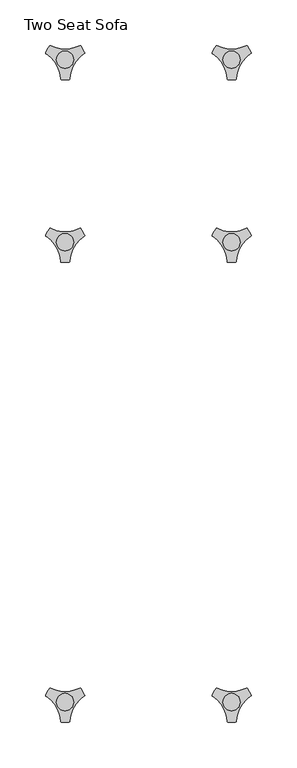
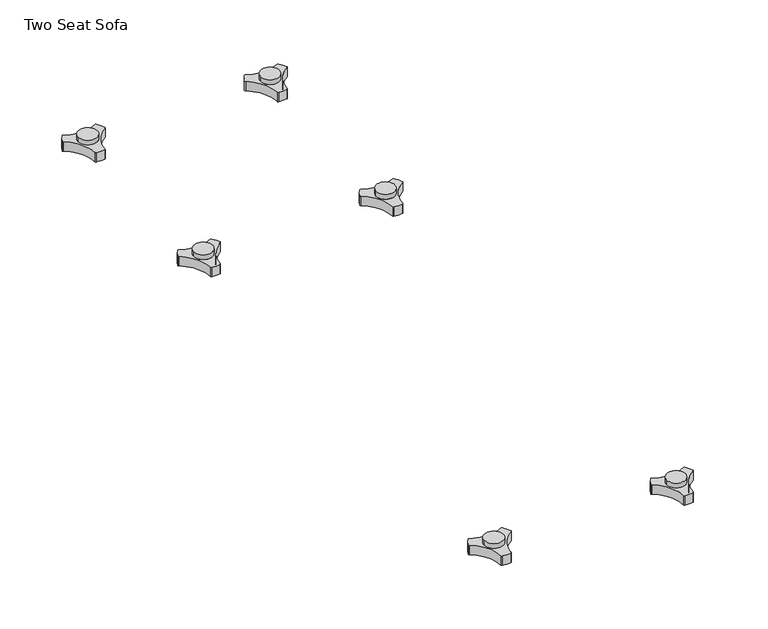
"""IFC4 building model written with IfcOpenShell, lengths in millimetres: furniture geometry, Two Seat Sofa."""

from ifc_helpers import new_model, si_unit, frame, origin, place, context, project, spatial, polyline, circle_curve, source, transform, mapped, element, save
from ifc_brep_helpers import plane_surface, cylinder_surface, revolved_surface, advanced_brep


def two_seat_sofa_eb6edc3d(model_context):
    return source(origin(), model_context, "Body", "AdvancedBrep", [
        advanced_brep(
        [(373.838792, -633.9963447, 98.611642), (369.6162038, -641.3100819, 98.611642), (370.0141527, -642.4761133, 98.611642), (385.8334234, -669.8758983, 98.611642), (386.6442569, -670.8035397, 98.611642), (395.0894355, -670.8035397, 98.611642), (395.8939637, -669.7137583, 98.611642), (411.9962168, -642.2119553, 98.611642), (412.1174938, -641.3100836, 98.611642), (407.8949039, -633.9963432, 98.611642), (406.6861204, -633.7579584, 98.611642), (375.047572, -633.7579584, 98.611642), (400.2397227, -648.9168654, 98.611642), (381.3347108, -648.9168654, 98.611642), (373.838792, -633.9963447, 88.6531552), (375.047572, -633.7579584, 88.6531552), (406.6861204, -633.7579584, 88.6531552), (407.8949039, -633.9963432, 88.6531552), (412.1174938, -641.3100836, 88.6531552), (411.9962168, -642.2119553, 88.6531552), (395.8939637, -669.7137583, 88.6531552), (395.0894355, -670.8035397, 88.6531552), (386.6442569, -670.8035397, 88.6531552), (385.8334234, -669.8758983, 88.6531552), (370.0141527, -642.4761133, 88.6531552), (369.6162038, -641.3100819, 88.6531552), (381.3347108, -648.9168654, 103.6569541), (400.2397227, -648.9168654, 103.6569541)],
        [
            (0, 1, circle_curve(frame((392.09828, -649.4142898, 98.611642), z_axis=(0.0, 0.0, 1.0), x_axis=(1.0, 0.0, 0.0)), 23.8981576)),
            (1, 2, circle_curve(frame((370.5437624, -641.6444428, 98.611642), z_axis=(0.0, 0.0, 1.0), x_axis=(1.0, 0.0, 0.0)), 0.9859828)),
            (2, 3, circle_curve(frame((351.6187827, -671.3632053, 98.611642), z_axis=(0.0, 0.0, -1.0), x_axis=(1.0, 0.0, 0.0)), 34.246952)),
            (3, 4, circle_curve(frame((386.8184668, -669.8330785, 98.611642), z_axis=(0.0, 0.0, 1.0), x_axis=(1.0, 0.0, 0.0)), 0.9859736)),
            (4, 5, circle_curve(frame((390.8668462, -647.2809943, 98.611642), z_axis=(0.0, 0.0, 1.0), x_axis=(1.0, 0.0, 0.0)), 23.8985439)),
            (5, 6, circle_curve(frame((394.9152236, -669.8330671, 98.611642), z_axis=(0.0, 0.0, 1.0), x_axis=(1.0, 0.0, 0.0)), 0.9859852)),
            (6, 7, circle_curve(frame((430.1156373, -671.285662, 98.611642), z_axis=(0.0, 0.0, -1.0), x_axis=(1.0, 0.0, 0.0)), 34.2577557)),
            (7, 8, circle_curve(frame((411.1899324, -641.644442, 98.611642), z_axis=(0.0, 0.0, 1.0), x_axis=(1.0, 0.0, 0.0)), 0.9859847)),
            (8, 9, circle_curve(frame((389.6358034, -649.4140667, 98.611642), z_axis=(0.0, 0.0, 1.0), x_axis=(1.0, 0.0, 0.0)), 23.8977184)),
            (9, 10, circle_curve(frame((407.1415576, -634.632458, 98.611642), z_axis=(0.0, 0.0, 1.0), x_axis=(1.0, 0.0, 0.0)), 0.9859881)),
            (10, 11, circle_curve(frame((390.8668462, -603.3828618, 98.611642), z_axis=(0.0, 0.0, -1.0), x_axis=(1.0, 0.0, 0.0)), 34.2475683)),
            (11, 0, circle_curve(frame((374.5921369, -634.632454, 98.611642), z_axis=(0.0, 0.0, 1.0), x_axis=(1.0, 0.0, 0.0)), 0.9859835)),
            (12, 13, circle_curve(frame((390.7872168, -648.9168654, 98.611642), z_axis=(0.0, 0.0, -1.0), x_axis=(1.0, 0.0, 0.0)), 9.452506)),
            (13, 12, circle_curve(frame((390.7872168, -648.9168654, 98.611642), z_axis=(0.0, 0.0, -1.0), x_axis=(1.0, 0.0, 0.0)), 9.452506)),
            (14, 15, circle_curve(frame((374.5921369, -634.632454, 88.6531552), z_axis=(0.0, 0.0, -1.0), x_axis=(1.0, 0.0, 0.0)), 0.9859835)),
            (15, 16, circle_curve(frame((390.8668462, -603.3828618, 88.6531552), z_axis=(0.0, 0.0, 1.0), x_axis=(1.0, 0.0, 0.0)), 34.2475683)),
            (16, 17, circle_curve(frame((407.1415576, -634.632458, 88.6531552), z_axis=(0.0, 0.0, -1.0), x_axis=(1.0, 0.0, 0.0)), 0.9859881)),
            (17, 18, circle_curve(frame((389.6358034, -649.4140667, 88.6531552), z_axis=(0.0, 0.0, -1.0), x_axis=(1.0, 0.0, 0.0)), 23.8977184)),
            (18, 19, circle_curve(frame((411.1899324, -641.644442, 88.6531552), z_axis=(0.0, 0.0, -1.0), x_axis=(1.0, 0.0, 0.0)), 0.9859847)),
            (19, 20, circle_curve(frame((430.1156373, -671.285662, 88.6531552), z_axis=(0.0, 0.0, 1.0), x_axis=(1.0, 0.0, 0.0)), 34.2577557)),
            (20, 21, circle_curve(frame((394.9152236, -669.8330671, 88.6531552), z_axis=(0.0, 0.0, -1.0), x_axis=(1.0, 0.0, 0.0)), 0.9859852)),
            (21, 22, circle_curve(frame((390.8668462, -647.2809943, 88.6531552), z_axis=(0.0, 0.0, -1.0), x_axis=(1.0, 0.0, 0.0)), 23.8985439)),
            (22, 23, circle_curve(frame((386.8184668, -669.8330785, 88.6531552), z_axis=(0.0, 0.0, -1.0), x_axis=(1.0, 0.0, 0.0)), 0.9859736)),
            (23, 24, circle_curve(frame((351.6187827, -671.3632053, 88.6531552), z_axis=(0.0, 0.0, 1.0), x_axis=(1.0, 0.0, 0.0)), 34.246952)),
            (24, 25, circle_curve(frame((370.5437624, -641.6444428, 88.6531552), z_axis=(0.0, 0.0, -1.0), x_axis=(1.0, 0.0, 0.0)), 0.9859828)),
            (25, 14, circle_curve(frame((392.09828, -649.4142898, 88.6531552), z_axis=(0.0, 0.0, -1.0), x_axis=(1.0, 0.0, 0.0)), 23.8981576)),
            (26, 27, circle_curve(frame((390.7872168, -648.9168654, 103.6569541), z_axis=(0.0, 0.0, 1.0), x_axis=(1.0, 0.0, 0.0)), 9.452506)),
            (27, 26, circle_curve(frame((390.7872168, -648.9168654, 103.6569541), z_axis=(0.0, 0.0, 1.0), x_axis=(1.0, 0.0, 0.0)), 9.452506)),
            (0, 14),
            (25, 1),
            (24, 2),
            (23, 3),
            (22, 4),
            (21, 5),
            (20, 6),
            (19, 7),
            (18, 8),
            (17, 9),
            (16, 10),
            (15, 11),
            (26, 13),
            (12, 27),
        ],
        [
            plane_surface(frame((415.9964377, -649.4142898, 98.611642), z_axis=(0.0, 0.0, 1.0), x_axis=(0.0, 1.0, 0.0))),
            plane_surface(frame((415.9964377, -649.4142898, 88.6531552), z_axis=(0.0, 0.0, -1.0), x_axis=(0.0, -1.0, 0.0))),
            plane_surface(frame((400.2397227, -648.9168654, 103.6569541), z_axis=(0.0, 0.0, 1.0), x_axis=(0.0, 1.0, 0.0))),
            cylinder_surface(frame((392.09828, -649.4142898, 88.6531552), z_axis=(0.0, 0.0, 1.0), x_axis=(1.0, 0.0, 0.0)), 23.8981576),
            cylinder_surface(frame((370.5437624, -641.6444428, 88.6531552), z_axis=(0.0, 0.0, 1.0), x_axis=(1.0, 0.0, 0.0)), 0.9859828),
            revolved_surface(polyline([(385.8657347, -671.3632053, 88.6531552), (385.8657347, -671.3632053, 98.611642)]), (351.6187827, -671.3632053, 88.6531552), (0.0, 0.0, -1.0)),
            cylinder_surface(frame((386.8184668, -669.8330785, 88.6531552), z_axis=(0.0, 0.0, 1.0), x_axis=(1.0, 0.0, 0.0)), 0.9859736),
            cylinder_surface(frame((390.8668462, -647.2809943, 88.6531552), z_axis=(0.0, 0.0, 1.0), x_axis=(1.0, 0.0, 0.0)), 23.8985439),
            cylinder_surface(frame((394.9152236, -669.8330671, 88.6531552), z_axis=(0.0, 0.0, 1.0), x_axis=(1.0, 0.0, 0.0)), 0.9859852),
            revolved_surface(polyline([(464.373393, -671.285662, 88.6531552), (464.373393, -671.285662, 98.611642)]), (430.1156373, -671.285662, 88.6531552), (0.0, 0.0, -1.0)),
            cylinder_surface(frame((411.1899324, -641.644442, 88.6531552), z_axis=(0.0, 0.0, 1.0), x_axis=(1.0, 0.0, 0.0)), 0.9859847),
            cylinder_surface(frame((389.6358034, -649.4140667, 88.6531552), z_axis=(0.0, 0.0, 1.0), x_axis=(1.0, 0.0, 0.0)), 23.8977184),
            cylinder_surface(frame((407.1415576, -634.632458, 88.6531552), z_axis=(0.0, 0.0, 1.0), x_axis=(1.0, 0.0, 0.0)), 0.9859881),
            revolved_surface(polyline([(425.1144145, -603.3828618, 88.6531552), (425.1144145, -603.3828618, 98.611642)]), (390.8668462, -603.3828618, 88.6531552), (0.0, 0.0, -1.0)),
            cylinder_surface(frame((374.5921369, -634.632454, 88.6531552), z_axis=(0.0, 0.0, 1.0), x_axis=(1.0, 0.0, 0.0)), 0.9859835),
            cylinder_surface(frame((390.7872168, -648.9168654, 98.611642), z_axis=(0.0, 0.0, 1.0), x_axis=(1.0, 0.0, 0.0)), 9.452506),
        ],
        [
            (0, [[1, 2, 3, 4, 5, 6, 7, 8, 9, 10, 11, 12], [13, 14]]),
            (1, [[15, 16, 17, 18, 19, 20, 21, 22, 23, 24, 25, 26]]),
            (2, [[27, 28]]),
            (3, [[-1, 29, -26, 30]]),
            (4, [[-2, -30, -25, 31]]),
            (5, [[-3, -31, -24, 32]]),
            (6, [[-4, -32, -23, 33]]),
            (7, [[-5, -33, -22, 34]]),
            (8, [[-6, -34, -21, 35]]),
            (9, [[-7, -35, -20, 36]]),
            (10, [[-8, -36, -19, 37]]),
            (11, [[-9, -37, -18, 38]]),
            (12, [[-10, -38, -17, 39]]),
            (13, [[-11, -39, -16, 40]]),
            (14, [[-12, -40, -15, -29]]),
            (15, [[-27, 41, -13, 42]]),
            (15, [[-28, -42, -14, -41]]),
        ],
    ),
        advanced_brep(
        [(373.838792, -130.2721038, 98.611642), (369.6162038, -137.585841, 98.611642), (370.0141527, -138.7518724, 98.611642), (385.8334234, -166.1516574, 98.611642), (386.6442569, -167.0792988, 98.611642), (395.0894355, -167.0792988, 98.611642), (395.8939637, -165.9895174, 98.611642), (411.9962168, -138.4877144, 98.611642), (412.1174938, -137.5858427, 98.611642), (407.8949039, -130.2721023, 98.611642), (406.6861204, -130.0337175, 98.611642), (375.047572, -130.0337175, 98.611642), (400.2397227, -145.1926245, 98.611642), (381.3347108, -145.1926245, 98.611642), (373.838792, -130.2721038, 88.6531552), (375.047572, -130.0337175, 88.6531552), (406.6861204, -130.0337175, 88.6531552), (407.8949039, -130.2721023, 88.6531552), (412.1174938, -137.5858427, 88.6531552), (411.9962168, -138.4877144, 88.6531552), (395.8939637, -165.9895174, 88.6531552), (395.0894355, -167.0792988, 88.6531552), (386.6442569, -167.0792988, 88.6531552), (385.8334234, -166.1516574, 88.6531552), (370.0141527, -138.7518724, 88.6531552), (369.6162038, -137.585841, 88.6531552), (381.3347108, -145.1926245, 103.6569541), (400.2397227, -145.1926245, 103.6569541)],
        [
            (0, 1, circle_curve(frame((392.09828, -145.690049, 98.611642), z_axis=(0.0, 0.0, 1.0), x_axis=(1.0, 0.0, 0.0)), 23.8981576)),
            (1, 2, circle_curve(frame((370.5437624, -137.920202, 98.611642), z_axis=(0.0, 0.0, 1.0), x_axis=(1.0, 0.0, 0.0)), 0.9859828)),
            (2, 3, circle_curve(frame((351.6187827, -167.6389644, 98.611642), z_axis=(0.0, 0.0, -1.0), x_axis=(1.0, 0.0, 0.0)), 34.246952)),
            (3, 4, circle_curve(frame((386.8184668, -166.1088376, 98.611642), z_axis=(0.0, 0.0, 1.0), x_axis=(1.0, 0.0, 0.0)), 0.9859736)),
            (4, 5, circle_curve(frame((390.8668462, -143.5567534, 98.611642), z_axis=(0.0, 0.0, 1.0), x_axis=(1.0, 0.0, 0.0)), 23.8985439)),
            (5, 6, circle_curve(frame((394.9152236, -166.1088262, 98.611642), z_axis=(0.0, 0.0, 1.0), x_axis=(1.0, 0.0, 0.0)), 0.9859852)),
            (6, 7, circle_curve(frame((430.1156373, -167.5614211, 98.611642), z_axis=(0.0, 0.0, -1.0), x_axis=(1.0, 0.0, 0.0)), 34.2577557)),
            (7, 8, circle_curve(frame((411.1899324, -137.9202011, 98.611642), z_axis=(0.0, 0.0, 1.0), x_axis=(1.0, 0.0, 0.0)), 0.9859847)),
            (8, 9, circle_curve(frame((389.6358034, -145.6898258, 98.611642), z_axis=(0.0, 0.0, 1.0), x_axis=(1.0, 0.0, 0.0)), 23.8977184)),
            (9, 10, circle_curve(frame((407.1415576, -130.9082171, 98.611642), z_axis=(0.0, 0.0, 1.0), x_axis=(1.0, 0.0, 0.0)), 0.9859881)),
            (10, 11, circle_curve(frame((390.8668462, -99.6586209, 98.611642), z_axis=(0.0, 0.0, -1.0), x_axis=(1.0, 0.0, 0.0)), 34.2475683)),
            (11, 0, circle_curve(frame((374.5921369, -130.9082131, 98.611642), z_axis=(0.0, 0.0, 1.0), x_axis=(1.0, 0.0, 0.0)), 0.9859835)),
            (12, 13, circle_curve(frame((390.7872168, -145.1926245, 98.611642), z_axis=(0.0, 0.0, -1.0), x_axis=(1.0, 0.0, 0.0)), 9.452506)),
            (13, 12, circle_curve(frame((390.7872168, -145.1926245, 98.611642), z_axis=(0.0, 0.0, -1.0), x_axis=(1.0, 0.0, 0.0)), 9.452506)),
            (14, 15, circle_curve(frame((374.5921369, -130.9082131, 88.6531552), z_axis=(0.0, 0.0, -1.0), x_axis=(1.0, 0.0, 0.0)), 0.9859835)),
            (15, 16, circle_curve(frame((390.8668462, -99.6586209, 88.6531552), z_axis=(0.0, 0.0, 1.0), x_axis=(1.0, 0.0, 0.0)), 34.2475683)),
            (16, 17, circle_curve(frame((407.1415576, -130.9082171, 88.6531552), z_axis=(0.0, 0.0, -1.0), x_axis=(1.0, 0.0, 0.0)), 0.9859881)),
            (17, 18, circle_curve(frame((389.6358034, -145.6898258, 88.6531552), z_axis=(0.0, 0.0, -1.0), x_axis=(1.0, 0.0, 0.0)), 23.8977184)),
            (18, 19, circle_curve(frame((411.1899324, -137.9202011, 88.6531552), z_axis=(0.0, 0.0, -1.0), x_axis=(1.0, 0.0, 0.0)), 0.9859847)),
            (19, 20, circle_curve(frame((430.1156373, -167.5614211, 88.6531552), z_axis=(0.0, 0.0, 1.0), x_axis=(1.0, 0.0, 0.0)), 34.2577557)),
            (20, 21, circle_curve(frame((394.9152236, -166.1088262, 88.6531552), z_axis=(0.0, 0.0, -1.0), x_axis=(1.0, 0.0, 0.0)), 0.9859852)),
            (21, 22, circle_curve(frame((390.8668462, -143.5567534, 88.6531552), z_axis=(0.0, 0.0, -1.0), x_axis=(1.0, 0.0, 0.0)), 23.8985439)),
            (22, 23, circle_curve(frame((386.8184668, -166.1088376, 88.6531552), z_axis=(0.0, 0.0, -1.0), x_axis=(1.0, 0.0, 0.0)), 0.9859736)),
            (23, 24, circle_curve(frame((351.6187827, -167.6389644, 88.6531552), z_axis=(0.0, 0.0, 1.0), x_axis=(1.0, 0.0, 0.0)), 34.246952)),
            (24, 25, circle_curve(frame((370.5437624, -137.920202, 88.6531552), z_axis=(0.0, 0.0, -1.0), x_axis=(1.0, 0.0, 0.0)), 0.9859828)),
            (25, 14, circle_curve(frame((392.09828, -145.690049, 88.6531552), z_axis=(0.0, 0.0, -1.0), x_axis=(1.0, 0.0, 0.0)), 23.8981576)),
            (26, 27, circle_curve(frame((390.7872168, -145.1926245, 103.6569541), z_axis=(0.0, 0.0, 1.0), x_axis=(1.0, 0.0, 0.0)), 9.452506)),
            (27, 26, circle_curve(frame((390.7872168, -145.1926245, 103.6569541), z_axis=(0.0, 0.0, 1.0), x_axis=(1.0, 0.0, 0.0)), 9.452506)),
            (0, 14),
            (25, 1),
            (24, 2),
            (23, 3),
            (22, 4),
            (21, 5),
            (20, 6),
            (19, 7),
            (18, 8),
            (17, 9),
            (16, 10),
            (15, 11),
            (26, 13),
            (12, 27),
        ],
        [
            plane_surface(frame((415.9964377, -145.690049, 98.611642), z_axis=(0.0, 0.0, 1.0), x_axis=(0.0, 1.0, 0.0))),
            plane_surface(frame((415.9964377, -145.690049, 88.6531552), z_axis=(0.0, 0.0, -1.0), x_axis=(0.0, -1.0, 0.0))),
            plane_surface(frame((400.2397227, -145.1926245, 103.6569541), z_axis=(0.0, 0.0, 1.0), x_axis=(0.0, 1.0, 0.0))),
            cylinder_surface(frame((392.09828, -145.690049, 88.6531552), z_axis=(0.0, 0.0, 1.0), x_axis=(1.0, 0.0, 0.0)), 23.8981576),
            cylinder_surface(frame((370.5437624, -137.920202, 88.6531552), z_axis=(0.0, 0.0, 1.0), x_axis=(1.0, 0.0, 0.0)), 0.9859828),
            revolved_surface(polyline([(385.8657347, -167.6389644, 88.6531552), (385.8657347, -167.6389644, 98.611642)]), (351.6187827, -167.6389644, 88.6531552), (0.0, 0.0, -1.0)),
            cylinder_surface(frame((386.8184668, -166.1088376, 88.6531552), z_axis=(0.0, 0.0, 1.0), x_axis=(1.0, 0.0, 0.0)), 0.9859736),
            cylinder_surface(frame((390.8668462, -143.5567534, 88.6531552), z_axis=(0.0, 0.0, 1.0), x_axis=(1.0, 0.0, 0.0)), 23.8985439),
            cylinder_surface(frame((394.9152236, -166.1088262, 88.6531552), z_axis=(0.0, 0.0, 1.0), x_axis=(1.0, 0.0, 0.0)), 0.9859852),
            revolved_surface(polyline([(464.373393, -167.5614211, 88.6531552), (464.373393, -167.5614211, 98.611642)]), (430.1156373, -167.5614211, 88.6531552), (0.0, 0.0, -1.0)),
            cylinder_surface(frame((411.1899324, -137.9202011, 88.6531552), z_axis=(0.0, 0.0, 1.0), x_axis=(1.0, 0.0, 0.0)), 0.9859847),
            cylinder_surface(frame((389.6358034, -145.6898258, 88.6531552), z_axis=(0.0, 0.0, 1.0), x_axis=(1.0, 0.0, 0.0)), 23.8977184),
            cylinder_surface(frame((407.1415576, -130.9082171, 88.6531552), z_axis=(0.0, 0.0, 1.0), x_axis=(1.0, 0.0, 0.0)), 0.9859881),
            revolved_surface(polyline([(425.1144145, -99.6586209, 88.6531552), (425.1144145, -99.6586209, 98.611642)]), (390.8668462, -99.6586209, 88.6531552), (0.0, 0.0, -1.0)),
            cylinder_surface(frame((374.5921369, -130.9082131, 88.6531552), z_axis=(0.0, 0.0, 1.0), x_axis=(1.0, 0.0, 0.0)), 0.9859835),
            cylinder_surface(frame((390.7872168, -145.1926245, 98.611642), z_axis=(0.0, 0.0, 1.0), x_axis=(1.0, 0.0, 0.0)), 9.452506),
        ],
        [
            (0, [[1, 2, 3, 4, 5, 6, 7, 8, 9, 10, 11, 12], [13, 14]]),
            (1, [[15, 16, 17, 18, 19, 20, 21, 22, 23, 24, 25, 26]]),
            (2, [[27, 28]]),
            (3, [[-1, 29, -26, 30]]),
            (4, [[-2, -30, -25, 31]]),
            (5, [[-3, -31, -24, 32]]),
            (6, [[-4, -32, -23, 33]]),
            (7, [[-5, -33, -22, 34]]),
            (8, [[-6, -34, -21, 35]]),
            (9, [[-7, -35, -20, 36]]),
            (10, [[-8, -36, -19, 37]]),
            (11, [[-9, -37, -18, 38]]),
            (12, [[-10, -38, -17, 39]]),
            (13, [[-11, -39, -16, 40]]),
            (14, [[-12, -40, -15, -29]]),
            (15, [[-27, 41, -13, 42]]),
            (15, [[-28, -42, -14, -41]]),
        ],
    ),
        advanced_brep(
        [(373.838792, 69.7278978, 98.611642), (369.6162038, 62.4141605, 98.611642), (370.0141527, 61.2481292, 98.611642), (385.8334234, 33.8483441, 98.611642), (386.6442569, 32.9207027, 98.611642), (395.0894355, 32.9207027, 98.611642), (395.8939637, 34.0104841, 98.611642), (411.9962168, 61.5122871, 98.611642), (412.1174938, 62.4141588, 98.611642), (407.8949039, 69.7278992, 98.611642), (406.6861204, 69.966284, 98.611642), (375.047572, 69.966284, 98.611642), (400.2397227, 54.807377, 98.611642), (381.3347108, 54.807377, 98.611642), (373.838792, 69.7278978, 88.6531552), (375.047572, 69.966284, 88.6531552), (406.6861204, 69.966284, 88.6531552), (407.8949039, 69.7278992, 88.6531552), (412.1174938, 62.4141588, 88.6531552), (411.9962168, 61.5122871, 88.6531552), (395.8939637, 34.0104841, 88.6531552), (395.0894355, 32.9207027, 88.6531552), (386.6442569, 32.9207027, 88.6531552), (385.8334234, 33.8483441, 88.6531552), (370.0141527, 61.2481292, 88.6531552), (369.6162038, 62.4141605, 88.6531552), (381.3347108, 54.807377, 103.6569541), (400.2397227, 54.807377, 103.6569541)],
        [
            (0, 1, circle_curve(frame((392.09828, 54.3099526, 98.611642), z_axis=(0.0, 0.0, 1.0), x_axis=(1.0, 0.0, 0.0)), 23.8981576)),
            (1, 2, circle_curve(frame((370.5437624, 62.0797996, 98.611642), z_axis=(0.0, 0.0, 1.0), x_axis=(1.0, 0.0, 0.0)), 0.9859828)),
            (2, 3, circle_curve(frame((351.6187827, 32.3610372, 98.611642), z_axis=(0.0, 0.0, -1.0), x_axis=(1.0, 0.0, 0.0)), 34.246952)),
            (3, 4, circle_curve(frame((386.8184668, 33.8911639, 98.611642), z_axis=(0.0, 0.0, 1.0), x_axis=(1.0, 0.0, 0.0)), 0.9859736)),
            (4, 5, circle_curve(frame((390.8668462, 56.4432481, 98.611642), z_axis=(0.0, 0.0, 1.0), x_axis=(1.0, 0.0, 0.0)), 23.8985439)),
            (5, 6, circle_curve(frame((394.9152236, 33.8911753, 98.611642), z_axis=(0.0, 0.0, 1.0), x_axis=(1.0, 0.0, 0.0)), 0.9859852)),
            (6, 7, circle_curve(frame((430.1156373, 32.4385804, 98.611642), z_axis=(0.0, 0.0, -1.0), x_axis=(1.0, 0.0, 0.0)), 34.2577557)),
            (7, 8, circle_curve(frame((411.1899324, 62.0798004, 98.611642), z_axis=(0.0, 0.0, 1.0), x_axis=(1.0, 0.0, 0.0)), 0.9859847)),
            (8, 9, circle_curve(frame((389.6358034, 54.3101757, 98.611642), z_axis=(0.0, 0.0, 1.0), x_axis=(1.0, 0.0, 0.0)), 23.8977184)),
            (9, 10, circle_curve(frame((407.1415576, 69.0917844, 98.611642), z_axis=(0.0, 0.0, 1.0), x_axis=(1.0, 0.0, 0.0)), 0.9859881)),
            (10, 11, circle_curve(frame((390.8668462, 100.3413806, 98.611642), z_axis=(0.0, 0.0, -1.0), x_axis=(1.0, 0.0, 0.0)), 34.2475683)),
            (11, 0, circle_curve(frame((374.5921369, 69.0917885, 98.611642), z_axis=(0.0, 0.0, 1.0), x_axis=(1.0, 0.0, 0.0)), 0.9859835)),
            (12, 13, circle_curve(frame((390.7872168, 54.807377, 98.611642), z_axis=(0.0, 0.0, -1.0), x_axis=(1.0, 0.0, 0.0)), 9.452506)),
            (13, 12, circle_curve(frame((390.7872168, 54.807377, 98.611642), z_axis=(0.0, 0.0, -1.0), x_axis=(1.0, 0.0, 0.0)), 9.452506)),
            (14, 15, circle_curve(frame((374.5921369, 69.0917885, 88.6531552), z_axis=(0.0, 0.0, -1.0), x_axis=(1.0, 0.0, 0.0)), 0.9859835)),
            (15, 16, circle_curve(frame((390.8668462, 100.3413806, 88.6531552), z_axis=(0.0, 0.0, 1.0), x_axis=(1.0, 0.0, 0.0)), 34.2475683)),
            (16, 17, circle_curve(frame((407.1415576, 69.0917844, 88.6531552), z_axis=(0.0, 0.0, -1.0), x_axis=(1.0, 0.0, 0.0)), 0.9859881)),
            (17, 18, circle_curve(frame((389.6358034, 54.3101757, 88.6531552), z_axis=(0.0, 0.0, -1.0), x_axis=(1.0, 0.0, 0.0)), 23.8977184)),
            (18, 19, circle_curve(frame((411.1899324, 62.0798004, 88.6531552), z_axis=(0.0, 0.0, -1.0), x_axis=(1.0, 0.0, 0.0)), 0.9859847)),
            (19, 20, circle_curve(frame((430.1156373, 32.4385804, 88.6531552), z_axis=(0.0, 0.0, 1.0), x_axis=(1.0, 0.0, 0.0)), 34.2577557)),
            (20, 21, circle_curve(frame((394.9152236, 33.8911753, 88.6531552), z_axis=(0.0, 0.0, -1.0), x_axis=(1.0, 0.0, 0.0)), 0.9859852)),
            (21, 22, circle_curve(frame((390.8668462, 56.4432481, 88.6531552), z_axis=(0.0, 0.0, -1.0), x_axis=(1.0, 0.0, 0.0)), 23.8985439)),
            (22, 23, circle_curve(frame((386.8184668, 33.8911639, 88.6531552), z_axis=(0.0, 0.0, -1.0), x_axis=(1.0, 0.0, 0.0)), 0.9859736)),
            (23, 24, circle_curve(frame((351.6187827, 32.3610372, 88.6531552), z_axis=(0.0, 0.0, 1.0), x_axis=(1.0, 0.0, 0.0)), 34.246952)),
            (24, 25, circle_curve(frame((370.5437624, 62.0797996, 88.6531552), z_axis=(0.0, 0.0, -1.0), x_axis=(1.0, 0.0, 0.0)), 0.9859828)),
            (25, 14, circle_curve(frame((392.09828, 54.3099526, 88.6531552), z_axis=(0.0, 0.0, -1.0), x_axis=(1.0, 0.0, 0.0)), 23.8981576)),
            (26, 27, circle_curve(frame((390.7872168, 54.807377, 103.6569541), z_axis=(0.0, 0.0, 1.0), x_axis=(1.0, 0.0, 0.0)), 9.452506)),
            (27, 26, circle_curve(frame((390.7872168, 54.807377, 103.6569541), z_axis=(0.0, 0.0, 1.0), x_axis=(1.0, 0.0, 0.0)), 9.452506)),
            (0, 14),
            (25, 1),
            (24, 2),
            (23, 3),
            (22, 4),
            (21, 5),
            (20, 6),
            (19, 7),
            (18, 8),
            (17, 9),
            (16, 10),
            (15, 11),
            (26, 13),
            (12, 27),
        ],
        [
            plane_surface(frame((415.9964377, 54.3099526, 98.611642), z_axis=(0.0, 0.0, 1.0), x_axis=(0.0, 1.0, 0.0))),
            plane_surface(frame((415.9964377, 54.3099526, 88.6531552), z_axis=(0.0, 0.0, -1.0), x_axis=(0.0, -1.0, 0.0))),
            plane_surface(frame((400.2397227, 54.807377, 103.6569541), z_axis=(0.0, 0.0, 1.0), x_axis=(0.0, 1.0, 0.0))),
            cylinder_surface(frame((392.09828, 54.3099526, 88.6531552), z_axis=(0.0, 0.0, 1.0), x_axis=(1.0, 0.0, 0.0)), 23.8981576),
            cylinder_surface(frame((370.5437624, 62.0797996, 88.6531552), z_axis=(0.0, 0.0, 1.0), x_axis=(1.0, 0.0, 0.0)), 0.9859828),
            revolved_surface(polyline([(385.8657347, 32.3610372, 88.6531552), (385.8657347, 32.3610372, 98.611642)]), (351.6187827, 32.3610372, 88.6531552), (0.0, 0.0, -1.0)),
            cylinder_surface(frame((386.8184668, 33.8911639, 88.6531552), z_axis=(0.0, 0.0, 1.0), x_axis=(1.0, 0.0, 0.0)), 0.9859736),
            cylinder_surface(frame((390.8668462, 56.4432481, 88.6531552), z_axis=(0.0, 0.0, 1.0), x_axis=(1.0, 0.0, 0.0)), 23.8985439),
            cylinder_surface(frame((394.9152236, 33.8911753, 88.6531552), z_axis=(0.0, 0.0, 1.0), x_axis=(1.0, 0.0, 0.0)), 0.9859852),
            revolved_surface(polyline([(464.373393, 32.4385804, 88.6531552), (464.373393, 32.4385804, 98.611642)]), (430.1156373, 32.4385804, 88.6531552), (0.0, 0.0, -1.0)),
            cylinder_surface(frame((411.1899324, 62.0798004, 88.6531552), z_axis=(0.0, 0.0, 1.0), x_axis=(1.0, 0.0, 0.0)), 0.9859847),
            cylinder_surface(frame((389.6358034, 54.3101757, 88.6531552), z_axis=(0.0, 0.0, 1.0), x_axis=(1.0, 0.0, 0.0)), 23.8977184),
            cylinder_surface(frame((407.1415576, 69.0917844, 88.6531552), z_axis=(0.0, 0.0, 1.0), x_axis=(1.0, 0.0, 0.0)), 0.9859881),
            revolved_surface(polyline([(425.1144145, 100.3413806, 88.6531552), (425.1144145, 100.3413806, 98.611642)]), (390.8668462, 100.3413806, 88.6531552), (0.0, 0.0, -1.0)),
            cylinder_surface(frame((374.5921369, 69.0917885, 88.6531552), z_axis=(0.0, 0.0, 1.0), x_axis=(1.0, 0.0, 0.0)), 0.9859835),
            cylinder_surface(frame((390.7872168, 54.807377, 98.611642), z_axis=(0.0, 0.0, 1.0), x_axis=(1.0, 0.0, 0.0)), 9.452506),
        ],
        [
            (0, [[1, 2, 3, 4, 5, 6, 7, 8, 9, 10, 11, 12], [13, 14]]),
            (1, [[15, 16, 17, 18, 19, 20, 21, 22, 23, 24, 25, 26]]),
            (2, [[27, 28]]),
            (3, [[-1, 29, -26, 30]]),
            (4, [[-2, -30, -25, 31]]),
            (5, [[-3, -31, -24, 32]]),
            (6, [[-4, -32, -23, 33]]),
            (7, [[-5, -33, -22, 34]]),
            (8, [[-6, -34, -21, 35]]),
            (9, [[-7, -35, -20, 36]]),
            (10, [[-8, -36, -19, 37]]),
            (11, [[-9, -37, -18, 38]]),
            (12, [[-10, -38, -17, 39]]),
            (13, [[-11, -39, -16, 40]]),
            (14, [[-12, -40, -15, -29]]),
            (15, [[-27, 41, -13, 42]]),
            (15, [[-28, -42, -14, -41]]),
        ],
    ),
        advanced_brep(
        [(191.4388063, 69.7278978, 98.611642), (187.2162181, 62.4141605, 98.611642), (187.614167, 61.2481292, 98.611642), (203.4334377, 33.8483441, 98.611642), (204.2442712, 32.9207027, 98.611642), (212.6894498, 32.9207027, 98.611642), (213.493978, 34.0104841, 98.611642), (229.5962311, 61.5122871, 98.611642), (229.7175081, 62.4141588, 98.611642), (225.4949182, 69.7278992, 98.611642), (224.2861347, 69.966284, 98.611642), (192.6475863, 69.966284, 98.611642), (217.839737, 54.807377, 98.611642), (198.9347251, 54.807377, 98.611642), (191.4388063, 69.7278978, 88.6531552), (192.6475863, 69.966284, 88.6531552), (224.2861347, 69.966284, 88.6531552), (225.4949182, 69.7278992, 88.6531552), (229.7175081, 62.4141588, 88.6531552), (229.5962311, 61.5122871, 88.6531552), (213.493978, 34.0104841, 88.6531552), (212.6894498, 32.9207027, 88.6531552), (204.2442712, 32.9207027, 88.6531552), (203.4334377, 33.8483441, 88.6531552), (187.614167, 61.2481292, 88.6531552), (187.2162181, 62.4141605, 88.6531552), (198.9347251, 54.807377, 103.6569541), (217.839737, 54.807377, 103.6569541)],
        [
            (0, 1, circle_curve(frame((209.6982944, 54.3099526, 98.611642), z_axis=(0.0, 0.0, 1.0), x_axis=(1.0, 0.0, 0.0)), 23.8981576)),
            (1, 2, circle_curve(frame((188.1437767, 62.0797996, 98.611642), z_axis=(0.0, 0.0, 1.0), x_axis=(1.0, 0.0, 0.0)), 0.9859828)),
            (2, 3, circle_curve(frame((169.218797, 32.3610372, 98.611642), z_axis=(0.0, 0.0, -1.0), x_axis=(1.0, 0.0, 0.0)), 34.246952)),
            (3, 4, circle_curve(frame((204.4184811, 33.8911639, 98.611642), z_axis=(0.0, 0.0, 1.0), x_axis=(1.0, 0.0, 0.0)), 0.9859736)),
            (4, 5, circle_curve(frame((208.4668605, 56.4432481, 98.611642), z_axis=(0.0, 0.0, 1.0), x_axis=(1.0, 0.0, 0.0)), 23.8985439)),
            (5, 6, circle_curve(frame((212.5152379, 33.8911753, 98.611642), z_axis=(0.0, 0.0, 1.0), x_axis=(1.0, 0.0, 0.0)), 0.9859852)),
            (6, 7, circle_curve(frame((247.7156517, 32.4385804, 98.611642), z_axis=(0.0, 0.0, -1.0), x_axis=(1.0, 0.0, 0.0)), 34.2577557)),
            (7, 8, circle_curve(frame((228.7899467, 62.0798004, 98.611642), z_axis=(0.0, 0.0, 1.0), x_axis=(1.0, 0.0, 0.0)), 0.9859847)),
            (8, 9, circle_curve(frame((207.2358178, 54.3101757, 98.611642), z_axis=(0.0, 0.0, 1.0), x_axis=(1.0, 0.0, 0.0)), 23.8977184)),
            (9, 10, circle_curve(frame((224.7415719, 69.0917844, 98.611642), z_axis=(0.0, 0.0, 1.0), x_axis=(1.0, 0.0, 0.0)), 0.9859881)),
            (10, 11, circle_curve(frame((208.4668605, 100.3413806, 98.611642), z_axis=(0.0, 0.0, -1.0), x_axis=(1.0, 0.0, 0.0)), 34.2475683)),
            (11, 0, circle_curve(frame((192.1921512, 69.0917885, 98.611642), z_axis=(0.0, 0.0, 1.0), x_axis=(1.0, 0.0, 0.0)), 0.9859835)),
            (12, 13, circle_curve(frame((208.3872311, 54.807377, 98.611642), z_axis=(0.0, 0.0, -1.0), x_axis=(1.0, 0.0, 0.0)), 9.452506)),
            (13, 12, circle_curve(frame((208.3872311, 54.807377, 98.611642), z_axis=(0.0, 0.0, -1.0), x_axis=(1.0, 0.0, 0.0)), 9.452506)),
            (14, 15, circle_curve(frame((192.1921512, 69.0917885, 88.6531552), z_axis=(0.0, 0.0, -1.0), x_axis=(1.0, 0.0, 0.0)), 0.9859835)),
            (15, 16, circle_curve(frame((208.4668605, 100.3413806, 88.6531552), z_axis=(0.0, 0.0, 1.0), x_axis=(1.0, 0.0, 0.0)), 34.2475683)),
            (16, 17, circle_curve(frame((224.7415719, 69.0917844, 88.6531552), z_axis=(0.0, 0.0, -1.0), x_axis=(1.0, 0.0, 0.0)), 0.9859881)),
            (17, 18, circle_curve(frame((207.2358178, 54.3101757, 88.6531552), z_axis=(0.0, 0.0, -1.0), x_axis=(1.0, 0.0, 0.0)), 23.8977184)),
            (18, 19, circle_curve(frame((228.7899467, 62.0798004, 88.6531552), z_axis=(0.0, 0.0, -1.0), x_axis=(1.0, 0.0, 0.0)), 0.9859847)),
            (19, 20, circle_curve(frame((247.7156517, 32.4385804, 88.6531552), z_axis=(0.0, 0.0, 1.0), x_axis=(1.0, 0.0, 0.0)), 34.2577557)),
            (20, 21, circle_curve(frame((212.5152379, 33.8911753, 88.6531552), z_axis=(0.0, 0.0, -1.0), x_axis=(1.0, 0.0, 0.0)), 0.9859852)),
            (21, 22, circle_curve(frame((208.4668605, 56.4432481, 88.6531552), z_axis=(0.0, 0.0, -1.0), x_axis=(1.0, 0.0, 0.0)), 23.8985439)),
            (22, 23, circle_curve(frame((204.4184811, 33.8911639, 88.6531552), z_axis=(0.0, 0.0, -1.0), x_axis=(1.0, 0.0, 0.0)), 0.9859736)),
            (23, 24, circle_curve(frame((169.218797, 32.3610372, 88.6531552), z_axis=(0.0, 0.0, 1.0), x_axis=(1.0, 0.0, 0.0)), 34.246952)),
            (24, 25, circle_curve(frame((188.1437767, 62.0797996, 88.6531552), z_axis=(0.0, 0.0, -1.0), x_axis=(1.0, 0.0, 0.0)), 0.9859828)),
            (25, 14, circle_curve(frame((209.6982944, 54.3099526, 88.6531552), z_axis=(0.0, 0.0, -1.0), x_axis=(1.0, 0.0, 0.0)), 23.8981576)),
            (26, 27, circle_curve(frame((208.3872311, 54.807377, 103.6569541), z_axis=(0.0, 0.0, 1.0), x_axis=(1.0, 0.0, 0.0)), 9.452506)),
            (27, 26, circle_curve(frame((208.3872311, 54.807377, 103.6569541), z_axis=(0.0, 0.0, 1.0), x_axis=(1.0, 0.0, 0.0)), 9.452506)),
            (0, 14),
            (25, 1),
            (24, 2),
            (23, 3),
            (22, 4),
            (21, 5),
            (20, 6),
            (19, 7),
            (18, 8),
            (17, 9),
            (16, 10),
            (15, 11),
            (26, 13),
            (12, 27),
        ],
        [
            plane_surface(frame((233.596452, 54.3099526, 98.611642), z_axis=(0.0, 0.0, 1.0), x_axis=(0.0, 1.0, 0.0))),
            plane_surface(frame((233.596452, 54.3099526, 88.6531552), z_axis=(0.0, 0.0, -1.0), x_axis=(0.0, -1.0, 0.0))),
            plane_surface(frame((217.839737, 54.807377, 103.6569541), z_axis=(0.0, 0.0, 1.0), x_axis=(0.0, 1.0, 0.0))),
            cylinder_surface(frame((209.6982944, 54.3099526, 88.6531552), z_axis=(0.0, 0.0, 1.0), x_axis=(1.0, 0.0, 0.0)), 23.8981576),
            cylinder_surface(frame((188.1437767, 62.0797996, 88.6531552), z_axis=(0.0, 0.0, 1.0), x_axis=(1.0, 0.0, 0.0)), 0.9859828),
            revolved_surface(polyline([(203.465749, 32.3610372, 88.6531552), (203.465749, 32.3610372, 98.611642)]), (169.218797, 32.3610372, 88.6531552), (0.0, 0.0, -1.0)),
            cylinder_surface(frame((204.4184811, 33.8911639, 88.6531552), z_axis=(0.0, 0.0, 1.0), x_axis=(1.0, 0.0, 0.0)), 0.9859736),
            cylinder_surface(frame((208.4668605, 56.4432481, 88.6531552), z_axis=(0.0, 0.0, 1.0), x_axis=(1.0, 0.0, 0.0)), 23.8985439),
            cylinder_surface(frame((212.5152379, 33.8911753, 88.6531552), z_axis=(0.0, 0.0, 1.0), x_axis=(1.0, 0.0, 0.0)), 0.9859852),
            revolved_surface(polyline([(281.9734074, 32.4385804, 88.6531552), (281.9734074, 32.4385804, 98.611642)]), (247.7156517, 32.4385804, 88.6531552), (0.0, 0.0, -1.0)),
            cylinder_surface(frame((228.7899467, 62.0798004, 88.6531552), z_axis=(0.0, 0.0, 1.0), x_axis=(1.0, 0.0, 0.0)), 0.9859847),
            cylinder_surface(frame((207.2358178, 54.3101757, 88.6531552), z_axis=(0.0, 0.0, 1.0), x_axis=(1.0, 0.0, 0.0)), 23.8977184),
            cylinder_surface(frame((224.7415719, 69.0917844, 88.6531552), z_axis=(0.0, 0.0, 1.0), x_axis=(1.0, 0.0, 0.0)), 0.9859881),
            revolved_surface(polyline([(242.7144288, 100.3413806, 88.6531552), (242.7144288, 100.3413806, 98.611642)]), (208.4668605, 100.3413806, 88.6531552), (0.0, 0.0, -1.0)),
            cylinder_surface(frame((192.1921512, 69.0917885, 88.6531552), z_axis=(0.0, 0.0, 1.0), x_axis=(1.0, 0.0, 0.0)), 0.9859835),
            cylinder_surface(frame((208.3872311, 54.807377, 98.611642), z_axis=(0.0, 0.0, 1.0), x_axis=(1.0, 0.0, 0.0)), 9.452506),
        ],
        [
            (0, [[1, 2, 3, 4, 5, 6, 7, 8, 9, 10, 11, 12], [13, 14]]),
            (1, [[15, 16, 17, 18, 19, 20, 21, 22, 23, 24, 25, 26]]),
            (2, [[27, 28]]),
            (3, [[-1, 29, -26, 30]]),
            (4, [[-2, -30, -25, 31]]),
            (5, [[-3, -31, -24, 32]]),
            (6, [[-4, -32, -23, 33]]),
            (7, [[-5, -33, -22, 34]]),
            (8, [[-6, -34, -21, 35]]),
            (9, [[-7, -35, -20, 36]]),
            (10, [[-8, -36, -19, 37]]),
            (11, [[-9, -37, -18, 38]]),
            (12, [[-10, -38, -17, 39]]),
            (13, [[-11, -39, -16, 40]]),
            (14, [[-12, -40, -15, -29]]),
            (15, [[-27, 41, -13, 42]]),
            (15, [[-28, -42, -14, -41]]),
        ],
    ),
        advanced_brep(
        [(191.4388063, -130.2721038, 98.611642), (187.2162181, -137.585841, 98.611642), (187.614167, -138.7518724, 98.611642), (203.4334377, -166.1516574, 98.611642), (204.2442712, -167.0792988, 98.611642), (212.6894498, -167.0792988, 98.611642), (213.493978, -165.9895174, 98.611642), (229.5962311, -138.4877144, 98.611642), (229.7175081, -137.5858427, 98.611642), (225.4949182, -130.2721023, 98.611642), (224.2861347, -130.0337175, 98.611642), (192.6475863, -130.0337175, 98.611642), (217.839737, -145.1926245, 98.611642), (198.9347251, -145.1926245, 98.611642), (191.4388063, -130.2721038, 88.6531552), (192.6475863, -130.0337175, 88.6531552), (224.2861347, -130.0337175, 88.6531552), (225.4949182, -130.2721023, 88.6531552), (229.7175081, -137.5858427, 88.6531552), (229.5962311, -138.4877144, 88.6531552), (213.493978, -165.9895174, 88.6531552), (212.6894498, -167.0792988, 88.6531552), (204.2442712, -167.0792988, 88.6531552), (203.4334377, -166.1516574, 88.6531552), (187.614167, -138.7518724, 88.6531552), (187.2162181, -137.585841, 88.6531552), (198.9347251, -145.1926245, 103.6569541), (217.839737, -145.1926245, 103.6569541)],
        [
            (0, 1, circle_curve(frame((209.6982944, -145.690049, 98.611642), z_axis=(0.0, 0.0, 1.0), x_axis=(1.0, 0.0, 0.0)), 23.8981576)),
            (1, 2, circle_curve(frame((188.1437767, -137.920202, 98.611642), z_axis=(0.0, 0.0, 1.0), x_axis=(1.0, 0.0, 0.0)), 0.9859828)),
            (2, 3, circle_curve(frame((169.218797, -167.6389644, 98.611642), z_axis=(0.0, 0.0, -1.0), x_axis=(1.0, 0.0, 0.0)), 34.246952)),
            (3, 4, circle_curve(frame((204.4184811, -166.1088376, 98.611642), z_axis=(0.0, 0.0, 1.0), x_axis=(1.0, 0.0, 0.0)), 0.9859736)),
            (4, 5, circle_curve(frame((208.4668605, -143.5567534, 98.611642), z_axis=(0.0, 0.0, 1.0), x_axis=(1.0, 0.0, 0.0)), 23.8985439)),
            (5, 6, circle_curve(frame((212.5152379, -166.1088262, 98.611642), z_axis=(0.0, 0.0, 1.0), x_axis=(1.0, 0.0, 0.0)), 0.9859852)),
            (6, 7, circle_curve(frame((247.7156517, -167.5614211, 98.611642), z_axis=(0.0, 0.0, -1.0), x_axis=(1.0, 0.0, 0.0)), 34.2577557)),
            (7, 8, circle_curve(frame((228.7899467, -137.9202011, 98.611642), z_axis=(0.0, 0.0, 1.0), x_axis=(1.0, 0.0, 0.0)), 0.9859847)),
            (8, 9, circle_curve(frame((207.2358178, -145.6898258, 98.611642), z_axis=(0.0, 0.0, 1.0), x_axis=(1.0, 0.0, 0.0)), 23.8977184)),
            (9, 10, circle_curve(frame((224.7415719, -130.9082171, 98.611642), z_axis=(0.0, 0.0, 1.0), x_axis=(1.0, 0.0, 0.0)), 0.9859881)),
            (10, 11, circle_curve(frame((208.4668605, -99.6586209, 98.611642), z_axis=(0.0, 0.0, -1.0), x_axis=(1.0, 0.0, 0.0)), 34.2475683)),
            (11, 0, circle_curve(frame((192.1921512, -130.9082131, 98.611642), z_axis=(0.0, 0.0, 1.0), x_axis=(1.0, 0.0, 0.0)), 0.9859835)),
            (12, 13, circle_curve(frame((208.3872311, -145.1926245, 98.611642), z_axis=(0.0, 0.0, -1.0), x_axis=(1.0, 0.0, 0.0)), 9.452506)),
            (13, 12, circle_curve(frame((208.3872311, -145.1926245, 98.611642), z_axis=(0.0, 0.0, -1.0), x_axis=(1.0, 0.0, 0.0)), 9.452506)),
            (14, 15, circle_curve(frame((192.1921512, -130.9082131, 88.6531552), z_axis=(0.0, 0.0, -1.0), x_axis=(1.0, 0.0, 0.0)), 0.9859835)),
            (15, 16, circle_curve(frame((208.4668605, -99.6586209, 88.6531552), z_axis=(0.0, 0.0, 1.0), x_axis=(1.0, 0.0, 0.0)), 34.2475683)),
            (16, 17, circle_curve(frame((224.7415719, -130.9082171, 88.6531552), z_axis=(0.0, 0.0, -1.0), x_axis=(1.0, 0.0, 0.0)), 0.9859881)),
            (17, 18, circle_curve(frame((207.2358178, -145.6898258, 88.6531552), z_axis=(0.0, 0.0, -1.0), x_axis=(1.0, 0.0, 0.0)), 23.8977184)),
            (18, 19, circle_curve(frame((228.7899467, -137.9202011, 88.6531552), z_axis=(0.0, 0.0, -1.0), x_axis=(1.0, 0.0, 0.0)), 0.9859847)),
            (19, 20, circle_curve(frame((247.7156517, -167.5614211, 88.6531552), z_axis=(0.0, 0.0, 1.0), x_axis=(1.0, 0.0, 0.0)), 34.2577557)),
            (20, 21, circle_curve(frame((212.5152379, -166.1088262, 88.6531552), z_axis=(0.0, 0.0, -1.0), x_axis=(1.0, 0.0, 0.0)), 0.9859852)),
            (21, 22, circle_curve(frame((208.4668605, -143.5567534, 88.6531552), z_axis=(0.0, 0.0, -1.0), x_axis=(1.0, 0.0, 0.0)), 23.8985439)),
            (22, 23, circle_curve(frame((204.4184811, -166.1088376, 88.6531552), z_axis=(0.0, 0.0, -1.0), x_axis=(1.0, 0.0, 0.0)), 0.9859736)),
            (23, 24, circle_curve(frame((169.218797, -167.6389644, 88.6531552), z_axis=(0.0, 0.0, 1.0), x_axis=(1.0, 0.0, 0.0)), 34.246952)),
            (24, 25, circle_curve(frame((188.1437767, -137.920202, 88.6531552), z_axis=(0.0, 0.0, -1.0), x_axis=(1.0, 0.0, 0.0)), 0.9859828)),
            (25, 14, circle_curve(frame((209.6982944, -145.690049, 88.6531552), z_axis=(0.0, 0.0, -1.0), x_axis=(1.0, 0.0, 0.0)), 23.8981576)),
            (26, 27, circle_curve(frame((208.3872311, -145.1926245, 103.6569541), z_axis=(0.0, 0.0, 1.0), x_axis=(1.0, 0.0, 0.0)), 9.452506)),
            (27, 26, circle_curve(frame((208.3872311, -145.1926245, 103.6569541), z_axis=(0.0, 0.0, 1.0), x_axis=(1.0, 0.0, 0.0)), 9.452506)),
            (0, 14),
            (25, 1),
            (24, 2),
            (23, 3),
            (22, 4),
            (21, 5),
            (20, 6),
            (19, 7),
            (18, 8),
            (17, 9),
            (16, 10),
            (15, 11),
            (26, 13),
            (12, 27),
        ],
        [
            plane_surface(frame((233.596452, -145.690049, 98.611642), z_axis=(0.0, 0.0, 1.0), x_axis=(0.0, 1.0, 0.0))),
            plane_surface(frame((233.596452, -145.690049, 88.6531552), z_axis=(0.0, 0.0, -1.0), x_axis=(0.0, -1.0, 0.0))),
            plane_surface(frame((217.839737, -145.1926245, 103.6569541), z_axis=(0.0, 0.0, 1.0), x_axis=(0.0, 1.0, 0.0))),
            cylinder_surface(frame((209.6982944, -145.690049, 88.6531552), z_axis=(0.0, 0.0, 1.0), x_axis=(1.0, 0.0, 0.0)), 23.8981576),
            cylinder_surface(frame((188.1437767, -137.920202, 88.6531552), z_axis=(0.0, 0.0, 1.0), x_axis=(1.0, 0.0, 0.0)), 0.9859828),
            revolved_surface(polyline([(203.465749, -167.6389644, 88.6531552), (203.465749, -167.6389644, 98.611642)]), (169.218797, -167.6389644, 88.6531552), (0.0, 0.0, -1.0)),
            cylinder_surface(frame((204.4184811, -166.1088376, 88.6531552), z_axis=(0.0, 0.0, 1.0), x_axis=(1.0, 0.0, 0.0)), 0.9859736),
            cylinder_surface(frame((208.4668605, -143.5567534, 88.6531552), z_axis=(0.0, 0.0, 1.0), x_axis=(1.0, 0.0, 0.0)), 23.8985439),
            cylinder_surface(frame((212.5152379, -166.1088262, 88.6531552), z_axis=(0.0, 0.0, 1.0), x_axis=(1.0, 0.0, 0.0)), 0.9859852),
            revolved_surface(polyline([(281.9734074, -167.5614211, 88.6531552), (281.9734074, -167.5614211, 98.611642)]), (247.7156517, -167.5614211, 88.6531552), (0.0, 0.0, -1.0)),
            cylinder_surface(frame((228.7899467, -137.9202011, 88.6531552), z_axis=(0.0, 0.0, 1.0), x_axis=(1.0, 0.0, 0.0)), 0.9859847),
            cylinder_surface(frame((207.2358178, -145.6898258, 88.6531552), z_axis=(0.0, 0.0, 1.0), x_axis=(1.0, 0.0, 0.0)), 23.8977184),
            cylinder_surface(frame((224.7415719, -130.9082171, 88.6531552), z_axis=(0.0, 0.0, 1.0), x_axis=(1.0, 0.0, 0.0)), 0.9859881),
            revolved_surface(polyline([(242.7144288, -99.6586209, 88.6531552), (242.7144288, -99.6586209, 98.611642)]), (208.4668605, -99.6586209, 88.6531552), (0.0, 0.0, -1.0)),
            cylinder_surface(frame((192.1921512, -130.9082131, 88.6531552), z_axis=(0.0, 0.0, 1.0), x_axis=(1.0, 0.0, 0.0)), 0.9859835),
            cylinder_surface(frame((208.3872311, -145.1926245, 98.611642), z_axis=(0.0, 0.0, 1.0), x_axis=(1.0, 0.0, 0.0)), 9.452506),
        ],
        [
            (0, [[1, 2, 3, 4, 5, 6, 7, 8, 9, 10, 11, 12], [13, 14]]),
            (1, [[15, 16, 17, 18, 19, 20, 21, 22, 23, 24, 25, 26]]),
            (2, [[27, 28]]),
            (3, [[-1, 29, -26, 30]]),
            (4, [[-2, -30, -25, 31]]),
            (5, [[-3, -31, -24, 32]]),
            (6, [[-4, -32, -23, 33]]),
            (7, [[-5, -33, -22, 34]]),
            (8, [[-6, -34, -21, 35]]),
            (9, [[-7, -35, -20, 36]]),
            (10, [[-8, -36, -19, 37]]),
            (11, [[-9, -37, -18, 38]]),
            (12, [[-10, -38, -17, 39]]),
            (13, [[-11, -39, -16, 40]]),
            (14, [[-12, -40, -15, -29]]),
            (15, [[-27, 41, -13, 42]]),
            (15, [[-28, -42, -14, -41]]),
        ],
    ),
        advanced_brep(
        [(191.4388063, -633.9963447, 98.611642), (187.2162181, -641.3100819, 98.611642), (187.614167, -642.4761133, 98.611642), (203.4334377, -669.8758983, 98.611642), (204.2442712, -670.8035397, 98.611642), (212.6894498, -670.8035397, 98.611642), (213.493978, -669.7137583, 98.611642), (229.5962311, -642.2119553, 98.611642), (229.7175081, -641.3100836, 98.611642), (225.4949182, -633.9963432, 98.611642), (224.2861347, -633.7579584, 98.611642), (192.6475863, -633.7579584, 98.611642), (217.839737, -648.9168654, 98.611642), (198.9347251, -648.9168654, 98.611642), (191.4388063, -633.9963447, 88.6531552), (192.6475863, -633.7579584, 88.6531552), (224.2861347, -633.7579584, 88.6531552), (225.4949182, -633.9963432, 88.6531552), (229.7175081, -641.3100836, 88.6531552), (229.5962311, -642.2119553, 88.6531552), (213.493978, -669.7137583, 88.6531552), (212.6894498, -670.8035397, 88.6531552), (204.2442712, -670.8035397, 88.6531552), (203.4334377, -669.8758983, 88.6531552), (187.614167, -642.4761133, 88.6531552), (187.2162181, -641.3100819, 88.6531552), (198.9347251, -648.9168654, 103.6569541), (217.839737, -648.9168654, 103.6569541)],
        [
            (0, 1, circle_curve(frame((209.6982944, -649.4142898, 98.611642), z_axis=(0.0, 0.0, 1.0), x_axis=(1.0, 0.0, 0.0)), 23.8981576)),
            (1, 2, circle_curve(frame((188.1437767, -641.6444428, 98.611642), z_axis=(0.0, 0.0, 1.0), x_axis=(1.0, 0.0, 0.0)), 0.9859828)),
            (2, 3, circle_curve(frame((169.218797, -671.3632053, 98.611642), z_axis=(0.0, 0.0, -1.0), x_axis=(1.0, 0.0, 0.0)), 34.246952)),
            (3, 4, circle_curve(frame((204.4184811, -669.8330785, 98.611642), z_axis=(0.0, 0.0, 1.0), x_axis=(1.0, 0.0, 0.0)), 0.9859736)),
            (4, 5, circle_curve(frame((208.4668605, -647.2809943, 98.611642), z_axis=(0.0, 0.0, 1.0), x_axis=(1.0, 0.0, 0.0)), 23.8985439)),
            (5, 6, circle_curve(frame((212.5152379, -669.8330671, 98.611642), z_axis=(0.0, 0.0, 1.0), x_axis=(1.0, 0.0, 0.0)), 0.9859852)),
            (6, 7, circle_curve(frame((247.7156517, -671.285662, 98.611642), z_axis=(0.0, 0.0, -1.0), x_axis=(1.0, 0.0, 0.0)), 34.2577557)),
            (7, 8, circle_curve(frame((228.7899467, -641.644442, 98.611642), z_axis=(0.0, 0.0, 1.0), x_axis=(1.0, 0.0, 0.0)), 0.9859847)),
            (8, 9, circle_curve(frame((207.2358178, -649.4140667, 98.611642), z_axis=(0.0, 0.0, 1.0), x_axis=(1.0, 0.0, 0.0)), 23.8977184)),
            (9, 10, circle_curve(frame((224.7415719, -634.632458, 98.611642), z_axis=(0.0, 0.0, 1.0), x_axis=(1.0, 0.0, 0.0)), 0.9859881)),
            (10, 11, circle_curve(frame((208.4668605, -603.3828618, 98.611642), z_axis=(0.0, 0.0, -1.0), x_axis=(1.0, 0.0, 0.0)), 34.2475683)),
            (11, 0, circle_curve(frame((192.1921512, -634.632454, 98.611642), z_axis=(0.0, 0.0, 1.0), x_axis=(1.0, 0.0, 0.0)), 0.9859835)),
            (12, 13, circle_curve(frame((208.3872311, -648.9168654, 98.611642), z_axis=(0.0, 0.0, -1.0), x_axis=(1.0, 0.0, 0.0)), 9.452506)),
            (13, 12, circle_curve(frame((208.3872311, -648.9168654, 98.611642), z_axis=(0.0, 0.0, -1.0), x_axis=(1.0, 0.0, 0.0)), 9.452506)),
            (14, 15, circle_curve(frame((192.1921512, -634.632454, 88.6531552), z_axis=(0.0, 0.0, -1.0), x_axis=(1.0, 0.0, 0.0)), 0.9859835)),
            (15, 16, circle_curve(frame((208.4668605, -603.3828618, 88.6531552), z_axis=(0.0, 0.0, 1.0), x_axis=(1.0, 0.0, 0.0)), 34.2475683)),
            (16, 17, circle_curve(frame((224.7415719, -634.632458, 88.6531552), z_axis=(0.0, 0.0, -1.0), x_axis=(1.0, 0.0, 0.0)), 0.9859881)),
            (17, 18, circle_curve(frame((207.2358178, -649.4140667, 88.6531552), z_axis=(0.0, 0.0, -1.0), x_axis=(1.0, 0.0, 0.0)), 23.8977184)),
            (18, 19, circle_curve(frame((228.7899467, -641.644442, 88.6531552), z_axis=(0.0, 0.0, -1.0), x_axis=(1.0, 0.0, 0.0)), 0.9859847)),
            (19, 20, circle_curve(frame((247.7156517, -671.285662, 88.6531552), z_axis=(0.0, 0.0, 1.0), x_axis=(1.0, 0.0, 0.0)), 34.2577557)),
            (20, 21, circle_curve(frame((212.5152379, -669.8330671, 88.6531552), z_axis=(0.0, 0.0, -1.0), x_axis=(1.0, 0.0, 0.0)), 0.9859852)),
            (21, 22, circle_curve(frame((208.4668605, -647.2809943, 88.6531552), z_axis=(0.0, 0.0, -1.0), x_axis=(1.0, 0.0, 0.0)), 23.8985439)),
            (22, 23, circle_curve(frame((204.4184811, -669.8330785, 88.6531552), z_axis=(0.0, 0.0, -1.0), x_axis=(1.0, 0.0, 0.0)), 0.9859736)),
            (23, 24, circle_curve(frame((169.218797, -671.3632053, 88.6531552), z_axis=(0.0, 0.0, 1.0), x_axis=(1.0, 0.0, 0.0)), 34.246952)),
            (24, 25, circle_curve(frame((188.1437767, -641.6444428, 88.6531552), z_axis=(0.0, 0.0, -1.0), x_axis=(1.0, 0.0, 0.0)), 0.9859828)),
            (25, 14, circle_curve(frame((209.6982944, -649.4142898, 88.6531552), z_axis=(0.0, 0.0, -1.0), x_axis=(1.0, 0.0, 0.0)), 23.8981576)),
            (26, 27, circle_curve(frame((208.3872311, -648.9168654, 103.6569541), z_axis=(0.0, 0.0, 1.0), x_axis=(1.0, 0.0, 0.0)), 9.452506)),
            (27, 26, circle_curve(frame((208.3872311, -648.9168654, 103.6569541), z_axis=(0.0, 0.0, 1.0), x_axis=(1.0, 0.0, 0.0)), 9.452506)),
            (0, 14),
            (25, 1),
            (24, 2),
            (23, 3),
            (22, 4),
            (21, 5),
            (20, 6),
            (19, 7),
            (18, 8),
            (17, 9),
            (16, 10),
            (15, 11),
            (26, 13),
            (12, 27),
        ],
        [
            plane_surface(frame((233.596452, -649.4142898, 98.611642), z_axis=(0.0, 0.0, 1.0), x_axis=(0.0, 1.0, 0.0))),
            plane_surface(frame((233.596452, -649.4142898, 88.6531552), z_axis=(0.0, 0.0, -1.0), x_axis=(0.0, -1.0, 0.0))),
            plane_surface(frame((217.839737, -648.9168654, 103.6569541), z_axis=(0.0, 0.0, 1.0), x_axis=(0.0, 1.0, 0.0))),
            cylinder_surface(frame((209.6982944, -649.4142898, 88.6531552), z_axis=(0.0, 0.0, 1.0), x_axis=(1.0, 0.0, 0.0)), 23.8981576),
            cylinder_surface(frame((188.1437767, -641.6444428, 88.6531552), z_axis=(0.0, 0.0, 1.0), x_axis=(1.0, 0.0, 0.0)), 0.9859828),
            revolved_surface(polyline([(203.465749, -671.3632053, 88.6531552), (203.465749, -671.3632053, 98.611642)]), (169.218797, -671.3632053, 88.6531552), (0.0, 0.0, -1.0)),
            cylinder_surface(frame((204.4184811, -669.8330785, 88.6531552), z_axis=(0.0, 0.0, 1.0), x_axis=(1.0, 0.0, 0.0)), 0.9859736),
            cylinder_surface(frame((208.4668605, -647.2809943, 88.6531552), z_axis=(0.0, 0.0, 1.0), x_axis=(1.0, 0.0, 0.0)), 23.8985439),
            cylinder_surface(frame((212.5152379, -669.8330671, 88.6531552), z_axis=(0.0, 0.0, 1.0), x_axis=(1.0, 0.0, 0.0)), 0.9859852),
            revolved_surface(polyline([(281.9734074, -671.285662, 88.6531552), (281.9734074, -671.285662, 98.611642)]), (247.7156517, -671.285662, 88.6531552), (0.0, 0.0, -1.0)),
            cylinder_surface(frame((228.7899467, -641.644442, 88.6531552), z_axis=(0.0, 0.0, 1.0), x_axis=(1.0, 0.0, 0.0)), 0.9859847),
            cylinder_surface(frame((207.2358178, -649.4140667, 88.6531552), z_axis=(0.0, 0.0, 1.0), x_axis=(1.0, 0.0, 0.0)), 23.8977184),
            cylinder_surface(frame((224.7415719, -634.632458, 88.6531552), z_axis=(0.0, 0.0, 1.0), x_axis=(1.0, 0.0, 0.0)), 0.9859881),
            revolved_surface(polyline([(242.7144288, -603.3828618, 88.6531552), (242.7144288, -603.3828618, 98.611642)]), (208.4668605, -603.3828618, 88.6531552), (0.0, 0.0, -1.0)),
            cylinder_surface(frame((192.1921512, -634.632454, 88.6531552), z_axis=(0.0, 0.0, 1.0), x_axis=(1.0, 0.0, 0.0)), 0.9859835),
            cylinder_surface(frame((208.3872311, -648.9168654, 98.611642), z_axis=(0.0, 0.0, 1.0), x_axis=(1.0, 0.0, 0.0)), 9.452506),
        ],
        [
            (0, [[1, 2, 3, 4, 5, 6, 7, 8, 9, 10, 11, 12], [13, 14]]),
            (1, [[15, 16, 17, 18, 19, 20, 21, 22, 23, 24, 25, 26]]),
            (2, [[27, 28]]),
            (3, [[-1, 29, -26, 30]]),
            (4, [[-2, -30, -25, 31]]),
            (5, [[-3, -31, -24, 32]]),
            (6, [[-4, -32, -23, 33]]),
            (7, [[-5, -33, -22, 34]]),
            (8, [[-6, -34, -21, 35]]),
            (9, [[-7, -35, -20, 36]]),
            (10, [[-8, -36, -19, 37]]),
            (11, [[-9, -37, -18, 38]]),
            (12, [[-10, -38, -17, 39]]),
            (13, [[-11, -39, -16, 40]]),
            (14, [[-12, -40, -15, -29]]),
            (15, [[-27, 41, -13, 42]]),
            (15, [[-28, -42, -14, -41]]),
        ],
    ),
    ])


if __name__ == "__main__":
    model = new_model("IFC4")
    model_context = context("Model", 3, world=origin())
    ifc_project = project(units=[si_unit("LENGTHUNIT", "METRE", prefix="MILLI")], contexts=[model_context])
    site = spatial("IfcSite", under=ifc_project)
    building = spatial("IfcBuilding", under=site)
    placement = place(None, origin())
    two_seat_sofa_shape = two_seat_sofa_eb6edc3d(model_context)
    element("IfcFurniture", 1, ObjectType="Two Seat Sofa", at=placement, inside=building, context=model_context, shape_type="MappedRepresentation", body=[
        mapped(two_seat_sofa_shape, transform((0.0, 0.0, 0.0), x_axis=(1.0, 0.0, 0.0), y_axis=(0.0, 1.0, 0.0), z_axis=(0.0, 0.0, 1.0))),
    ])
    save(model, "model.ifc")
